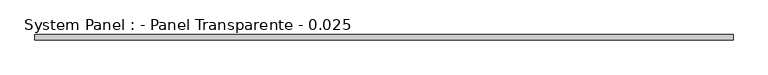
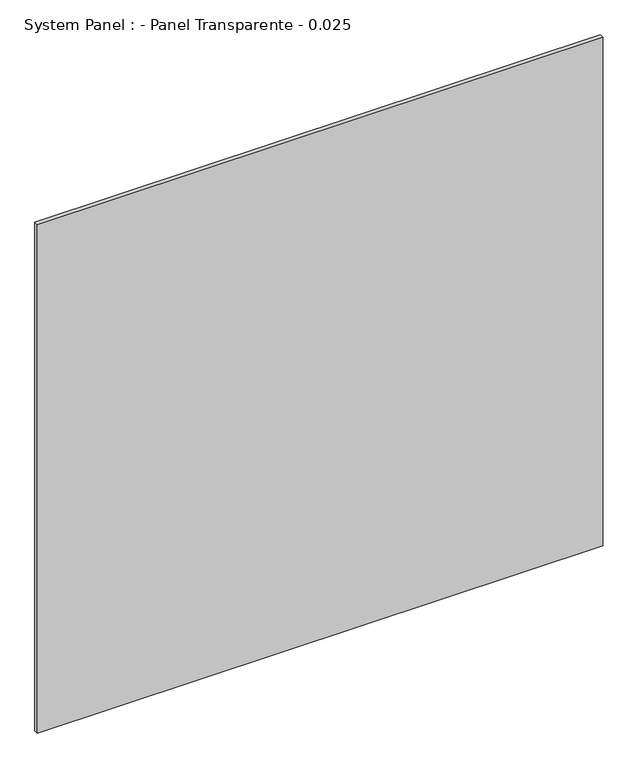
"""IFC4 building model written with IfcOpenShell, lengths in millimetres: plate geometry, System Panel : - Panel Transparente - 0.025."""

from ifc_helpers import new_model, si_unit, origin, origin_with_axes, place, context, project, spatial, polyline, outline, extrude, source, transform, mapped, element, save


def system_panel_panel_transparente_0_025_68cd54d9(model_context):
    return source(origin(), model_context, "Body", "SweptSolid", [
        extrude(outline(polyline([(1595.0, -37.5), (-1595.0, -37.5), (-1595.0, -12.5), (1595.0, -12.5), (1595.0, -37.5)])), origin_with_axes(), (0.0, 0.0, 1.0), 3030.0),
    ])


if __name__ == "__main__":
    model = new_model("IFC4")
    model_context = context("Model", 3, world=origin())
    ifc_project = project(units=[si_unit("LENGTHUNIT", "METRE", prefix="MILLI")], contexts=[model_context])
    site = spatial("IfcSite", under=ifc_project)
    building = spatial("IfcBuilding", under=site)
    placement = place(None, origin())
    system_panel_panel_transparente_0_025_shape = system_panel_panel_transparente_0_025_68cd54d9(model_context)
    element("IfcPlate", 1, ObjectType="System Panel : - Panel Transparente - 0.025", at=placement, inside=building, context=model_context, shape_type="MappedRepresentation", body=[
        mapped(system_panel_panel_transparente_0_025_shape, transform((0.0, 0.0, 0.0), x_axis=(1.0, 0.0, 0.0), y_axis=(0.0, 1.0, 0.0), z_axis=(0.0, 0.0, 1.0))),
    ])
    save(model, "model.ifc")
